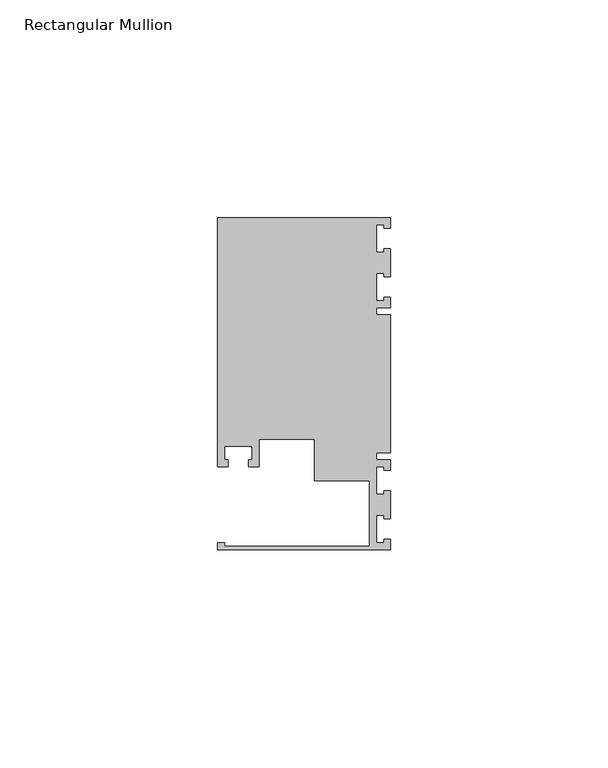
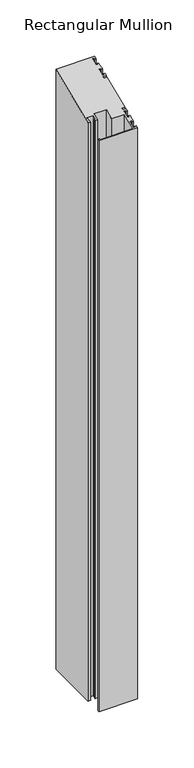
"""IFC4 building model written with IfcOpenShell, lengths in millimetres: member geometry, Rectangular Mullion."""

from ifc_helpers import new_model, si_unit, origin, place, context, project, spatial, faceted_brep, source, transform, mapped, element, save


def rectangular_mullion_7cfa2db6(model_context):
    return source(origin(), model_context, "Body", "Brep", [
        faceted_brep([(0.0, -38.1, -635.0), (-39.6875, -38.1, -635.0), (-39.6875, -36.5125, -635.0), (-38.1, -36.5125, -635.0), (-38.1, -37.30625, -635.0), (-4.8585733, -37.30625, -635.0), (-4.8585733, -22.225, -635.0), (-17.4625, -22.225, -635.0), (-17.4625, -12.6999969, -635.0), (-30.1625, -12.6999969, -635.0), (-30.1625, -19.05, -635.0), (-32.54375, -19.05, -635.0), (-32.54375, -17.4625, -635.0), (-31.75, -17.4625, -635.0), (-31.75, -14.2875, -635.0), (-38.1, -14.2875, -635.0), (-38.1, -17.4625, -635.0), (-37.30625, -17.4625, -635.0), (-37.30625, -19.05, -635.0), (-39.6875, -19.05, -635.0), (-39.6875, 38.1, -635.0), (0.0, 38.1, -635.0), (0.0, 35.71875, -635.0), (-1.4999946, 35.71875, -635.0), (-1.4999946, 36.5125, -635.0), (-3.175, 36.5125, -635.0), (-3.175, 30.1625, -635.0), (-1.4999946, 30.1625, -635.0), (-1.4999946, 30.95625, -635.0), (0.0, 30.95625, -635.0), (0.0, 24.60625, -635.0), (-1.4999946, 24.60625, -635.0), (-1.4999946, 25.4, -635.0), (-3.175, 25.4, -635.0), (-3.175, 19.05, -635.0), (-1.4999946, 19.05, -635.0), (-1.4999946, 19.84375, -635.0), (0.0, 19.84375, -635.0), (0.0, 17.4625, -635.0), (-3.175, 17.4625, -635.0), (-3.175, 15.875, -635.0), (0.0, 15.875, -635.0), (0.0, -15.875, -635.0), (-3.175, -15.875, -635.0), (-3.175, -17.4625, -635.0), (0.0, -17.4625, -635.0), (0.0, -19.84375, -635.0), (-1.4999946, -19.84375, -635.0), (-1.4999946, -19.05, -635.0), (-3.175, -19.05, -635.0), (-3.175, -25.4, -635.0), (-1.4999946, -25.4, -635.0), (-1.4999946, -24.60625, -635.0), (0.0, -24.60625, -635.0), (0.0, -30.95625, -635.0), (-1.4999946, -30.95625, -635.0), (-1.4999946, -30.1625, -635.0), (-3.175, -30.1625, -635.0), (-3.175, -36.5125, -635.0), (-1.4999946, -36.5125, -635.0), (-1.4999946, -35.71875, -635.0), (0.0, -35.71875, -635.0), (0.0, -35.71875, -14.7951907), (0.0, -38.1, -15.7815367), (-1.4999946, -35.71875, -14.7951907), (-1.4999946, -36.5125, -15.1239727), (-3.175, -36.5125, -15.1239727), (-3.175, -30.1625, -12.4937166), (-1.4999946, -30.1625, -12.4937166), (-1.4999946, -30.95625, -12.8224986), (0.0, -30.95625, -12.8224986), (0.0, -24.60625, -10.1922425), (-1.4999946, -24.60625, -10.1922425), (-1.4999946, -25.4, -10.5210245), (-3.175, -25.4, -10.5210245), (-3.175, -19.05, -7.8907684), (-1.4999946, -19.05, -7.8907684), (-1.4999946, -19.84375, -8.2195504), (0.0, -19.84375, -8.2195504), (0.0, -17.4625, -7.2332043), (-3.175, -17.4625, -7.2332043), (-3.175, -15.875, -6.5756403), (0.0, -15.875, -6.5756403), (0.0, 15.875, 6.5756403), (-3.175, 15.875, 6.5756403), (-3.175, 17.4625, 7.2332043), (0.0, 17.4625, 7.2332043), (0.0, 19.84375, 8.2195504), (-1.4999946, 19.84375, 8.2195504), (-1.4999946, 19.05, 7.8907684), (-3.175, 19.05, 7.8907684), (-3.175, 25.4, 10.5210245), (-1.4999946, 25.4, 10.5210245), (-1.4999946, 24.60625, 10.1922425), (0.0, 24.60625, 10.1922425), (0.0, 30.95625, 12.8224986), (-1.4999946, 30.95625, 12.8224986), (-1.4999946, 30.1625, 12.4937166), (-3.175, 30.1625, 12.4937166), (-3.175, 36.5125, 15.1239727), (-1.4999946, 36.5125, 15.1239727), (-1.4999946, 35.71875, 14.7951907), (0.0, 35.71875, 14.7951907), (0.0, 38.1, 15.7815367), (-39.6875, 38.1, 15.7815367), (-39.6875, -19.05, -7.8907684), (-37.30625, -19.05, -7.8907684), (-37.30625, -17.4625, -7.2332043), (-38.1, -17.4625, -7.2332043), (-38.1, -14.2875, -5.9180763), (-31.75, -14.2875, -5.9180763), (-31.75, -17.4625, -7.2332043), (-32.54375, -17.4625, -7.2332043), (-32.54375, -19.05, -7.8907684), (-30.1625, -19.05, -7.8907684), (-30.1625, -12.6999969, -5.260511), (-17.4625, -12.6999969, -5.260511), (-17.4625, -22.225, -9.2058964), (-4.8585733, -22.225, -9.2058964), (-4.8585733, -37.30625, -15.4527547), (-38.1, -37.30625, -15.4527547), (-38.1, -36.5125, -15.1239727), (-39.6875, -36.5125, -15.1239727), (-39.6875, -38.1, -15.7815367)], [[[0, 1, 2, 3, 4, 5, 6, 7, 8, 9, 10, 11, 12, 13, 14, 15, 16, 17, 18, 19, 20, 21, 22, 23, 24, 25, 26, 27, 28, 29, 30, 31, 32, 33, 34, 35, 36, 37, 38, 39, 40, 41, 42, 43, 44, 45, 46, 47, 48, 49, 50, 51, 52, 53, 54, 55, 56, 57, 58, 59, 60, 61]], [[62, 63, 0, 61]], [[64, 62, 61, 60]], [[65, 64, 60, 59]], [[66, 65, 59, 58]], [[67, 66, 58, 57]], [[68, 67, 57, 56]], [[69, 68, 56, 55]], [[70, 69, 55, 54]], [[71, 70, 54, 53]], [[72, 71, 53, 52]], [[73, 72, 52, 51]], [[74, 73, 51, 50]], [[75, 74, 50, 49]], [[76, 75, 49, 48]], [[77, 76, 48, 47]], [[78, 77, 47, 46]], [[79, 78, 46, 45]], [[80, 79, 45, 44]], [[81, 80, 44, 43]], [[82, 81, 43, 42]], [[83, 82, 42, 41]], [[84, 83, 41, 40]], [[85, 84, 40, 39]], [[86, 85, 39, 38]], [[87, 86, 38, 37]], [[88, 87, 37, 36]], [[89, 88, 36, 35]], [[90, 89, 35, 34]], [[91, 90, 34, 33]], [[92, 91, 33, 32]], [[93, 92, 32, 31]], [[94, 93, 31, 30]], [[95, 94, 30, 29]], [[96, 95, 29, 28]], [[97, 96, 28, 27]], [[98, 97, 27, 26]], [[99, 98, 26, 25]], [[100, 99, 25, 24]], [[101, 100, 24, 23]], [[102, 101, 23, 22]], [[103, 102, 22, 21]], [[104, 103, 21, 20]], [[105, 104, 20, 19]], [[106, 105, 19, 18]], [[107, 106, 18, 17]], [[108, 107, 17, 16]], [[109, 108, 16, 15]], [[110, 109, 15, 14]], [[111, 110, 14, 13]], [[112, 111, 13, 12]], [[113, 112, 12, 11]], [[114, 113, 11, 10]], [[115, 114, 10, 9]], [[116, 115, 9, 8]], [[117, 116, 8, 7]], [[118, 117, 7, 6]], [[119, 118, 6, 5]], [[120, 119, 5, 4]], [[121, 120, 4, 3]], [[122, 121, 3, 2]], [[123, 122, 2, 1]], [[63, 123, 1, 0]], [[63, 62, 64, 65, 66, 67, 68, 69, 70, 71, 72, 73, 74, 75, 76, 77, 78, 79, 80, 81, 82, 83, 84, 85, 86, 87, 88, 89, 90, 91, 92, 93, 94, 95, 96, 97, 98, 99, 100, 101, 102, 103, 104, 105, 106, 107, 108, 109, 110, 111, 112, 113, 114, 115, 116, 117, 118, 119, 120, 121, 122, 123]]]),
    ])


if __name__ == "__main__":
    model = new_model("IFC4")
    model_context = context("Model", 3, world=origin())
    ifc_project = project(units=[si_unit("LENGTHUNIT", "METRE", prefix="MILLI")], contexts=[model_context])
    site = spatial("IfcSite", under=ifc_project)
    building = spatial("IfcBuilding", under=site)
    placement = place(None, origin())
    rectangular_mullion_shape = rectangular_mullion_7cfa2db6(model_context)
    element("IfcMember", 1, ObjectType="Rectangular Mullion", at=placement, inside=building, context=model_context, shape_type="MappedRepresentation", body=[
        mapped(rectangular_mullion_shape, transform((0.0, 0.0, 0.0), x_axis=(1.0, 0.0, 0.0), y_axis=(0.0, 1.0, 0.0), z_axis=(0.0, 0.0, 1.0))),
    ])
    save(model, "model.ifc")
